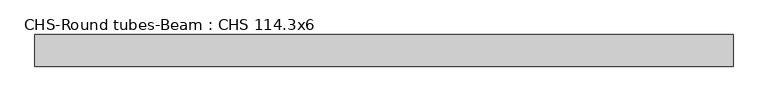
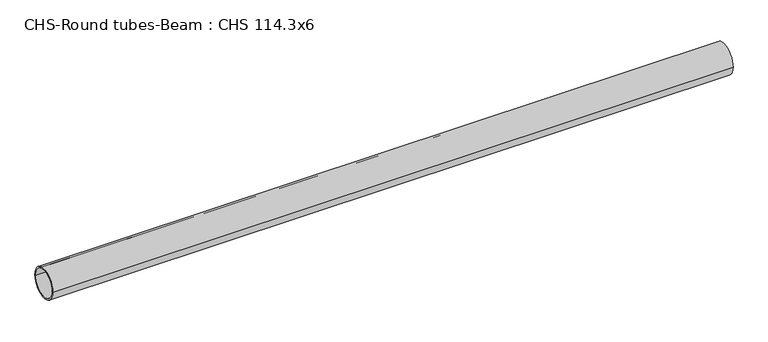
"""IFC4 building model written with IfcOpenShell, lengths in millimetres: beam geometry, CHS-Round tubes-Beam : CHS 114.3x6."""

from ifc_helpers import new_model, si_unit, point, frame, origin, origin_2d, place, context, project, spatial, circle_curve, trimmed, segment, composite_curve, outline, extrude, source, transform, mapped, element, save


def chs_round_tubes_beam_chs_114_3x6_8b05075e(model_context):
    return source(origin(), model_context, "Body", "SweptSolid", [
        extrude(outline(composite_curve([segment(trimmed(circle_curve(origin_2d(), 57.15), [point((57.15, 0.0))], [point((-57.15, 0.0))], False, "CARTESIAN"), True, "CONTINUOUS"), segment(trimmed(circle_curve(origin_2d(), 57.15), [point((-57.15, 0.0))], [point((57.15, 0.0))], False, "CARTESIAN"), True, "CONTINUOUS")], self_intersect=False), holes=[composite_curve([segment(trimmed(circle_curve(origin_2d(), 51.15), [point((51.15, 0.0))], [point((-51.15, 0.0))], True, "CARTESIAN"), True, "CONTINUOUS"), segment(trimmed(circle_curve(origin_2d(), 51.15), [point((-51.15, 0.0))], [point((51.15, 0.0))], True, "CARTESIAN"), True, "CONTINUOUS")], self_intersect=False)]), frame((-1225.7129388, 0.0, 0.0), z_axis=(1.0, 0.0, 0.0), x_axis=(0.0, 1.0, 0.0)), (0.0, 0.0, 1.0), 2519.8032999),
    ])


if __name__ == "__main__":
    model = new_model("IFC4")
    model_context = context("Model", 3, world=origin())
    ifc_project = project(units=[si_unit("LENGTHUNIT", "METRE", prefix="MILLI")], contexts=[model_context])
    site = spatial("IfcSite", under=ifc_project)
    building = spatial("IfcBuilding", under=site)
    placement = place(None, origin())
    chs_round_tubes_beam_chs_114_3x6_shape = chs_round_tubes_beam_chs_114_3x6_8b05075e(model_context)
    element("IfcBeam", 1, ObjectType="CHS-Round tubes-Beam : CHS 114.3x6", at=placement, inside=building, context=model_context, shape_type="MappedRepresentation", body=[
        mapped(chs_round_tubes_beam_chs_114_3x6_shape, transform((0.0, 0.0, 0.0), x_axis=(1.0, 0.0, 0.0), y_axis=(0.0, 1.0, 0.0), z_axis=(0.0, 0.0, 1.0))),
    ])
    save(model, "model.ifc")
